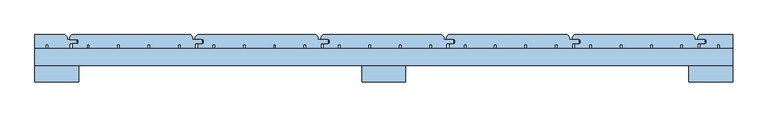
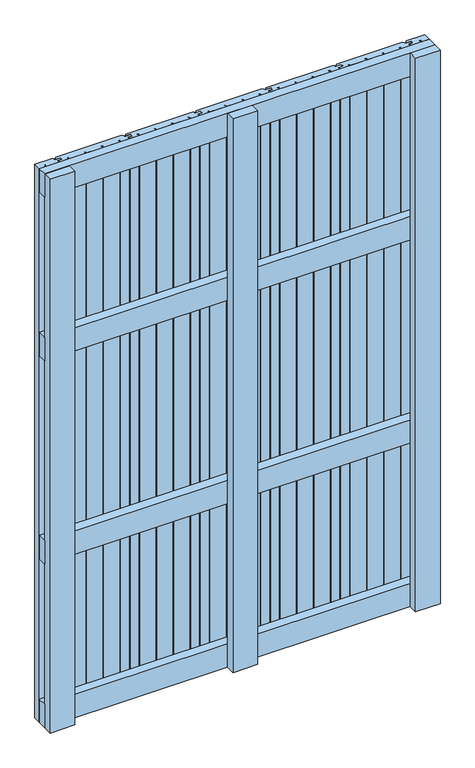
"""IFC4 building model written with IfcOpenShell, lengths in millimetres: window geometry."""

from ifc_helpers import new_model, si_unit, frame, origin, place, context, project, spatial, polyline, outline, extrude, source, transform, mapped, element, save


def window_881e5292(model_context):
    return source(origin(), model_context, "Body", "SweptSolid", [
        extrude(outline(polyline([(500.0, 30.0), (500.0, 6.0), (-500.0, 6.0), (-500.0, 30.0), (500.0, 30.0)])), frame((0.0, 0.0, 1093.5), z_axis=(0.0, 0.0, 1.0), x_axis=(1.0, 0.0, 0.0)), (0.0, 0.0, 1.0), 63.0),
        extrude(outline(polyline([(500.0, 30.0), (500.0, 6.0), (-500.0, 6.0), (-500.0, 30.0), (500.0, 30.0)])), frame((0.0, 0.0, 543.5), z_axis=(0.0, 0.0, 1.0), x_axis=(1.0, 0.0, 0.0)), (0.0, 0.0, 1.0), 63.0),
        extrude(outline(polyline([(500.0, 30.0), (500.0, 6.0), (-500.0, 6.0), (-500.0, 30.0), (500.0, 30.0)])), frame((0.0, 0.0, 1537.0), z_axis=(0.0, 0.0, 1.0), x_axis=(1.0, 0.0, 0.0)), (0.0, 0.0, 1.0), 63.0),
        extrude(outline(polyline([(500.0, 30.0), (500.0, 6.0), (-500.0, 6.0), (-500.0, 30.0), (500.0, 30.0)])), frame((0.0, 0.0, 100.0), z_axis=(0.0, 0.0, 1.0), x_axis=(1.0, 0.0, 0.0)), (0.0, 0.0, 1.0), 63.0),
        extrude(outline(polyline([(-447.0, 50.0), (-277.0, 50.0), (-274.0, 47.0), (-274.0, 43.0), (-260.0, 43.0), (-260.0, 37.0), (-270.0, 37.0), (-270.0, 30.0), (-291.1278597, 30.0), (-291.1278597, 36.0), (-294.6278597, 36.0), (-294.6278597, 30.0), (-334.6889298, 30.0), (-334.6889298, 36.0), (-338.1889298, 36.0), (-338.1889298, 30.0), (-378.25, 30.0), (-378.25, 36.0), (-381.75, 36.0), (-381.75, 30.0), (-421.8110702, 30.0), (-421.8110702, 36.0), (-425.3110702, 36.0), (-425.3110702, 30.0), (-446.0, 30.0), (-446.0, 37.0), (-438.0, 37.0), (-438.0, 43.0), (-450.0, 43.0), (-450.0, 47.0), (-447.0, 50.0)])), frame((0.0, 0.0, 100.0), z_axis=(0.0, 0.0, 1.0), x_axis=(1.0, 0.0, 0.0)), (0.0, 0.0, 1.0), 1500.0),
        extrude(outline(polyline([(-267.0, 50.0), (-97.0, 50.0), (-94.0, 47.0), (-94.0, 43.0), (-80.0, 43.0), (-80.0, 37.0), (-90.0, 37.0), (-90.0, 30.0), (-111.1278597, 30.0), (-111.1278597, 36.0), (-114.6278597, 36.0), (-114.6278597, 30.0), (-154.6889298, 30.0), (-154.6889298, 36.0), (-158.1889298, 36.0), (-158.1889298, 30.0), (-198.25, 30.0), (-198.25, 36.0), (-201.75, 36.0), (-201.75, 30.0), (-241.8110702, 30.0), (-241.8110702, 36.0), (-245.3110702, 36.0), (-245.3110702, 30.0), (-266.0, 30.0), (-266.0, 37.0), (-258.0, 37.0), (-258.0, 43.0), (-270.0, 43.0), (-270.0, 47.0), (-267.0, 50.0)])), frame((0.0, 0.0, 100.0), z_axis=(0.0, 0.0, 1.0), x_axis=(1.0, 0.0, 0.0)), (0.0, 0.0, 1.0), 1500.0),
        extrude(outline(polyline([(-87.0, 50.0), (83.0, 50.0), (86.0, 47.0), (86.0, 43.0), (100.0, 43.0), (100.0, 37.0), (90.0, 37.0), (90.0, 30.0), (68.8721403, 30.0), (68.8721403, 36.0), (65.3721403, 36.0), (65.3721403, 30.0), (25.3110702, 30.0), (25.3110702, 36.0), (21.8110702, 36.0), (21.8110702, 30.0), (-18.25, 30.0), (-18.25, 36.0), (-21.75, 36.0), (-21.75, 30.0), (-61.8110702, 30.0), (-61.8110702, 36.0), (-65.3110702, 36.0), (-65.3110702, 30.0), (-86.0, 30.0), (-86.0, 37.0), (-78.0, 37.0), (-78.0, 43.0), (-90.0, 43.0), (-90.0, 47.0), (-87.0, 50.0)])), frame((0.0, 0.0, 100.0), z_axis=(0.0, 0.0, 1.0), x_axis=(1.0, 0.0, 0.0)), (0.0, 0.0, 1.0), 1500.0),
        extrude(outline(polyline([(93.0, 50.0), (263.0, 50.0), (266.0, 47.0), (266.0, 43.0), (280.0, 43.0), (280.0, 37.0), (270.0, 37.0), (270.0, 30.0), (248.8721403, 30.0), (248.8721403, 36.0), (245.3721403, 36.0), (245.3721403, 30.0), (205.3110702, 30.0), (205.3110702, 36.0), (201.8110702, 36.0), (201.8110702, 30.0), (161.75, 30.0), (161.75, 36.0), (158.25, 36.0), (158.25, 30.0), (118.1889298, 30.0), (118.1889298, 36.0), (114.6889298, 36.0), (114.6889298, 30.0), (94.0, 30.0), (94.0, 37.0), (102.0, 37.0), (102.0, 43.0), (90.0, 43.0), (90.0, 47.0), (93.0, 50.0)])), frame((0.0, 0.0, 100.0), z_axis=(0.0, 0.0, 1.0), x_axis=(1.0, 0.0, 0.0)), (0.0, 0.0, 1.0), 1500.0),
        extrude(outline(polyline([(273.0, 50.0), (443.0, 50.0), (446.0, 47.0), (446.0, 43.0), (460.0, 43.0), (460.0, 37.0), (450.0, 37.0), (450.0, 30.0), (428.8721403, 30.0), (428.8721403, 36.0), (425.3721403, 36.0), (425.3721403, 30.0), (385.3110702, 30.0), (385.3110702, 36.0), (381.8110702, 36.0), (381.8110702, 30.0), (341.75, 30.0), (341.75, 36.0), (338.25, 36.0), (338.25, 30.0), (298.1889298, 30.0), (298.1889298, 36.0), (294.6889298, 36.0), (294.6889298, 30.0), (274.0, 30.0), (274.0, 37.0), (282.0, 37.0), (282.0, 43.0), (270.0, 43.0), (270.0, 47.0), (273.0, 50.0)])), frame((0.0, 0.0, 100.0), z_axis=(0.0, 0.0, 1.0), x_axis=(1.0, 0.0, 0.0)), (0.0, 0.0, 1.0), 1500.0),
        extrude(outline(polyline([(-500.0, 50.0), (-457.0, 50.0), (-454.0, 47.0), (-454.0, 43.0), (-440.0, 43.0), (-440.0, 37.0), (-450.0, 37.0), (-450.0, 30.0), (-481.1278597, 30.0), (-481.1278597, 36.0), (-484.6278597, 36.0), (-484.6278597, 30.0), (-500.0, 30.0), (-500.0, 50.0)])), frame((0.0, 0.0, 100.0), z_axis=(0.0, 0.0, 1.0), x_axis=(1.0, 0.0, 0.0)), (0.0, 0.0, 1.0), 1500.0),
        extrude(outline(polyline([(453.0, 50.0), (500.0, 50.0), (500.0, 30.0), (481.75, 30.0), (481.75, 36.0), (478.25, 36.0), (478.25, 30.0), (454.0, 30.0), (454.0, 37.0), (462.0, 37.0), (462.0, 43.0), (450.0, 43.0), (450.0, 47.0), (453.0, 50.0)])), frame((0.0, 0.0, 100.0), z_axis=(0.0, 0.0, 1.0), x_axis=(1.0, 0.0, 0.0)), (0.0, 0.0, 1.0), 1500.0),
        extrude(outline(polyline([(-31.5, 6.1), (31.5, 6.1), (31.5, -17.9), (-31.5, -17.9), (-31.5, 6.1)])), frame((0.0, 0.0, 100.0), z_axis=(0.0, 0.0, 1.0), x_axis=(1.0, 0.0, 0.0)), (0.0, 0.0, 1.0), 1500.0),
        extrude(outline(polyline([(-500.0, 6.0), (-437.0, 6.0), (-437.0, -18.0), (-500.0, -18.0), (-500.0, 6.0)])), frame((0.0, 0.0, 100.0), z_axis=(0.0, 0.0, 1.0), x_axis=(1.0, 0.0, 0.0)), (0.0, 0.0, 1.0), 1500.0),
        extrude(outline(polyline([(437.0, 6.0), (500.0, 6.0), (500.0, -18.0), (437.0, -18.0), (437.0, 6.0)])), frame((0.0, 0.0, 100.0), z_axis=(0.0, 0.0, 1.0), x_axis=(1.0, 0.0, 0.0)), (0.0, 0.0, 1.0), 1500.0),
    ])


if __name__ == "__main__":
    model = new_model("IFC4")
    model_context = context("Model", 3, world=origin())
    ifc_project = project(units=[si_unit("LENGTHUNIT", "METRE", prefix="MILLI")], contexts=[model_context])
    site = spatial("IfcSite", under=ifc_project)
    building = spatial("IfcBuilding", under=site)
    placement = place(None, origin())
    window_shape = window_881e5292(model_context)
    element("IfcWindow", 1, at=placement, inside=building, context=model_context, shape_type="MappedRepresentation", body=[
        mapped(window_shape, transform((0.0, 0.0, 0.0), x_axis=(1.0, 0.0, 0.0), y_axis=(0.0, 1.0, 0.0), z_axis=(0.0, 0.0, 1.0))),
    ])
    save(model, "model.ifc")
